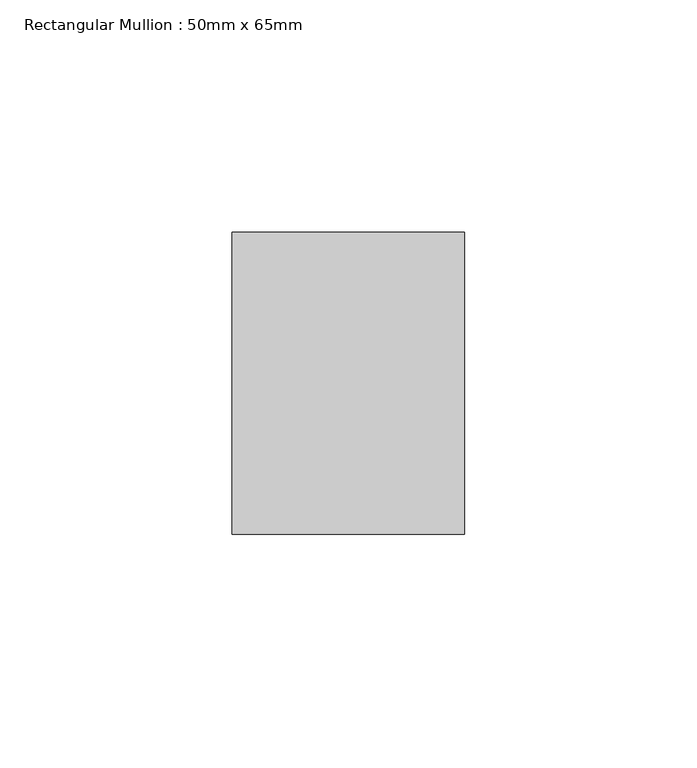
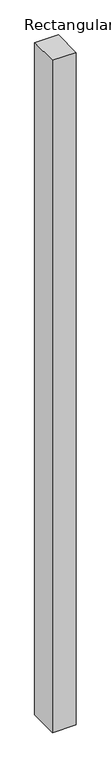
"""IFC4 building model written with IfcOpenShell, lengths in millimetres: member geometry, Rectangular Mullion : 50mm x 65mm."""

from ifc_helpers import new_model, si_unit, origin, place, context, project, spatial, faceted_brep, source, transform, mapped, element, save


def rectangular_mullion_50mm_x_65mm_49c95fc5(model_context):
    return source(origin(), model_context, "Body", "Brep", [
        faceted_brep([(-25.0, 32.5, -0.0443367), (25.0, 32.5, -0.044337), (25.0, 32.5, -1499.9019385), (-25.0, 32.5, -1499.9019391), (-25.0, -32.5, 0.044337), (-25.0, -32.5, -1500.0981171), (25.0, -32.5, 0.0443367), (25.0, -32.5, -1500.0981165)], [[[0, 1, 2, 3]], [[4, 0, 3, 5]], [[6, 4, 5, 7]], [[1, 6, 7, 2]], [[1, 0, 4, 6]], [[2, 7, 5, 3]]]),
    ])


if __name__ == "__main__":
    model = new_model("IFC4")
    model_context = context("Model", 3, world=origin())
    ifc_project = project(units=[si_unit("LENGTHUNIT", "METRE", prefix="MILLI")], contexts=[model_context])
    site = spatial("IfcSite", under=ifc_project)
    building = spatial("IfcBuilding", under=site)
    placement = place(None, origin())
    rectangular_mullion_50mm_x_65mm_shape = rectangular_mullion_50mm_x_65mm_49c95fc5(model_context)
    element("IfcMember", 1, ObjectType="Rectangular Mullion : 50mm x 65mm", at=placement, inside=building, context=model_context, shape_type="MappedRepresentation", body=[
        mapped(rectangular_mullion_50mm_x_65mm_shape, transform((0.0, 0.0, 0.0), x_axis=(1.0, 0.0, 0.0), y_axis=(0.0, 1.0, 0.0), z_axis=(0.0, 0.0, 1.0))),
    ])
    save(model, "model.ifc")
